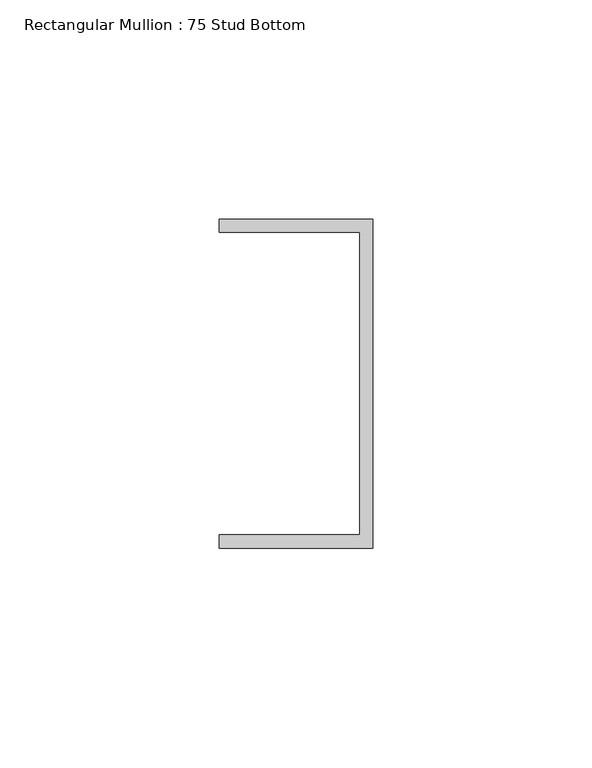
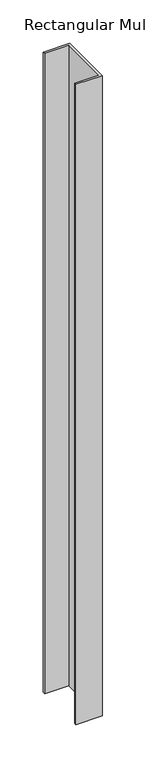
"""IFC4 building model written with IfcOpenShell, lengths in millimetres: member geometry, Rectangular Mullion : 75 Stud Bottom."""

from ifc_helpers import new_model, si_unit, frame, origin, place, context, project, spatial, polyline, outline, extrude, source, transform, mapped, element, save


def rectangular_mullion_75_stud_bottom_0d83fce3(model_context):
    return source(origin(), model_context, "Body", "SweptSolid", [
        extrude(outline(polyline([(0.0, -37.5), (-35.0, -37.5), (-35.0, -34.5), (-3.0, -34.5), (-3.0, 34.5), (-35.0, 34.5), (-35.0, 37.5), (0.0, 37.5), (0.0, -37.5)])), frame((0.0, 0.0, -900.0), z_axis=(0.0, 0.0, 1.0), x_axis=(1.0, 0.0, 0.0)), (0.0, 0.0, 1.0), 900.0),
    ])


if __name__ == "__main__":
    model = new_model("IFC4")
    model_context = context("Model", 3, world=origin())
    ifc_project = project(units=[si_unit("LENGTHUNIT", "METRE", prefix="MILLI")], contexts=[model_context])
    site = spatial("IfcSite", under=ifc_project)
    building = spatial("IfcBuilding", under=site)
    placement = place(None, origin())
    rectangular_mullion_75_stud_bottom_shape = rectangular_mullion_75_stud_bottom_0d83fce3(model_context)
    element("IfcMember", 1, ObjectType="Rectangular Mullion : 75 Stud Bottom", at=placement, inside=building, context=model_context, shape_type="MappedRepresentation", body=[
        mapped(rectangular_mullion_75_stud_bottom_shape, transform((0.0, 0.0, 0.0), x_axis=(1.0, 0.0, 0.0), y_axis=(0.0, 1.0, 0.0), z_axis=(0.0, 0.0, 1.0))),
    ])
    save(model, "model.ifc")
